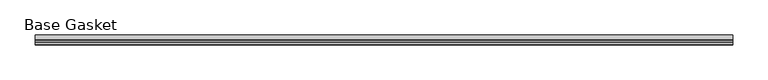
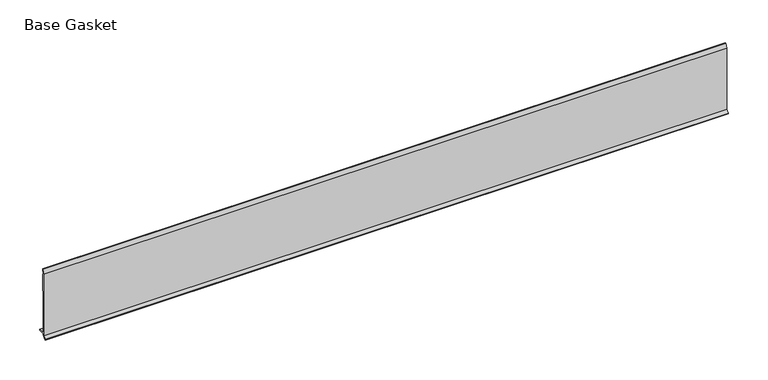
"""IFC4 building model written with IfcOpenShell, lengths in millimetres: furniture geometry, Base Gasket."""

from ifc_helpers import new_model, si_unit, frame, origin, place, context, project, spatial, polyline, outline, extrude, source, transform, mapped, element, save


def base_gasket_40711c9c(model_context):
    return source(origin(), model_context, "Body", "SweptSolid", [
        extrude(outline(polyline([(-3.7283812, 98.4568417), (-1.1891543, 104.587663), (-0.6755308, 105.2002997), (-0.6755308, 104.4162708), (-2.2043812, 98.4568417), (-2.2043812, 96.8693477), (-1.4106313, 96.8693477), (-1.4106313, 71.4693447), (-2.2043812, 71.4693447), (-2.2043812, 7.9398773), (6.2405171, 7.9398773), (6.2405171, 6.3818476), (-2.1334222, 6.3818476), (-2.2043812, 4.3498477), (-6.8281054, 0.3520979), (-7.8482342, 0.0), (-7.4222115, 0.6560174), (-3.7283812, 4.3498477), (-3.7283812, 98.4568417)])), frame((-1527.8982117, 0.0, 0.0), z_axis=(1.0, 0.0, 0.0), x_axis=(0.0, 1.0, 0.0)), (0.0, 0.0, 1.0), 990.6),
    ])


if __name__ == "__main__":
    model = new_model("IFC4")
    model_context = context("Model", 3, world=origin())
    ifc_project = project(units=[si_unit("LENGTHUNIT", "METRE", prefix="MILLI")], contexts=[model_context])
    site = spatial("IfcSite", under=ifc_project)
    building = spatial("IfcBuilding", under=site)
    placement = place(None, origin())
    base_gasket_shape = base_gasket_40711c9c(model_context)
    element("IfcFurniture", 1, ObjectType="Base Gasket", at=placement, inside=building, context=model_context, shape_type="MappedRepresentation", body=[
        mapped(base_gasket_shape, transform((0.0, 0.0, 0.0), x_axis=(1.0, 0.0, 0.0), y_axis=(0.0, 1.0, 0.0), z_axis=(0.0, 0.0, 1.0))),
    ])
    save(model, "model.ifc")
